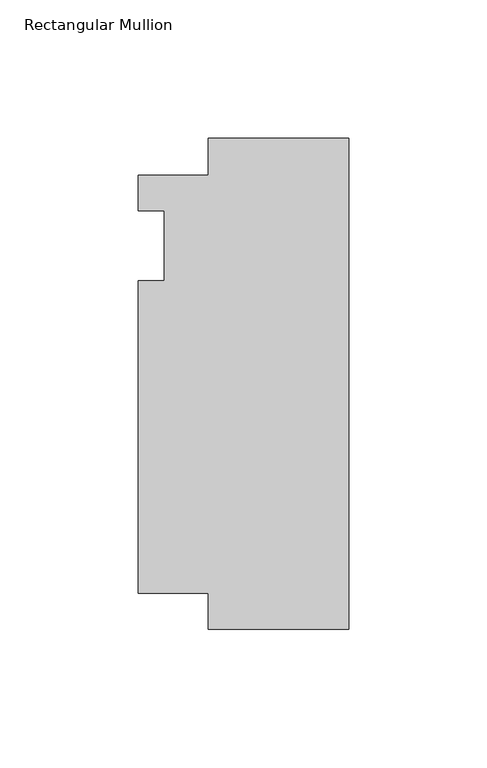
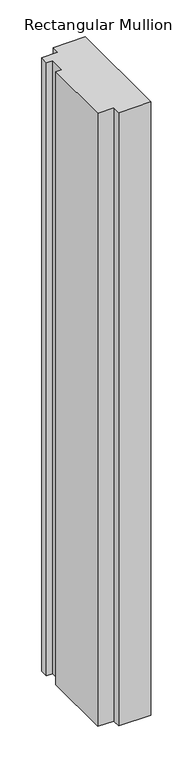
"""IFC4 building model written with IfcOpenShell, lengths in millimetres: member geometry, Rectangular Mullion."""

import ifcopenshell
import ifcopenshell.guid

model = None  # the IFC model being written
_history = None  # IfcOwnerHistory: only IFC2X3 demands one
_inside = {}  # id of a spatial element -> (the spatial element, [elements in it])
_under = {}  # id of a project, library or spatial element -> (it, [spatial elements below it])
_declared = {}  # id of a project -> (the project, [libraries it declares])
_typed = {}  # id of a type object -> (the type object, [elements of that type])
_made_of = {}  # id of a material, layer set ... -> (it, [elements and type objects made of it])


def new_model(schema):
    """Start an empty IFC model of exactly this schema.

    Asked for "IFC4X3", IfcOpenShell would pick the latest addendum, in which some entities
    have other attributes; the version numbers below select the first issue.
    IFC2X3 requires an IfcOwnerHistory on every rooted entity: one is made here for all.
    """
    global model, _history
    if schema == "IFC4X3":
        model = ifcopenshell.file(schema_version=(4, 3, 0, 0))
    else:
        model = ifcopenshell.file(schema=schema)
    _inside.clear()
    _under.clear()
    _declared.clear()
    _typed.clear()
    _made_of.clear()
    _history = None
    if model.schema == "IFC2X3":
        org = make("IfcOrganization", Name="unknown")
        user = make(
            "IfcPersonAndOrganization",
            ThePerson=make("IfcPerson", FamilyName="unknown"),
            TheOrganization=org,
        )
        app = make(
            "IfcApplication",
            ApplicationDeveloper=org,
            Version="unknown",
            ApplicationFullName="unknown",
            ApplicationIdentifier="unknown",
        )
        _history = make(
            "IfcOwnerHistory",
            OwningUser=user,
            OwningApplication=app,
            ChangeAction="ADDED",
            CreationDate=0,
        )
    return model


def make(cls, **values):
    """One entity of the class cls with the attributes given. An attribute that is None is left unset."""
    return model.create_entity(
        cls, **{name: value for name, value in values.items() if value is not None}
    )


def rooted(cls, **values):
    """An entity with a GlobalId (a new one), such as an element, a storey or a relation."""
    return make(cls, GlobalId=ifcopenshell.guid.new(), OwnerHistory=_history, **values)


def si_unit(unit_type, name, prefix=None):
    """IfcSIUnit, for example si_unit("LENGTHUNIT", "METRE", prefix="MILLI")."""
    return make("IfcSIUnit", UnitType=unit_type, Prefix=prefix, Name=name)


def assignment(units):
    """IfcUnitAssignment: the units of a project."""
    return None if units is None else make("IfcUnitAssignment", Units=units)


def point(xyz):
    """IfcCartesianPoint."""
    return None if xyz is None else make("IfcCartesianPoint", Coordinates=xyz)


def direction(xyz):
    """IfcDirection."""
    return None if xyz is None else make("IfcDirection", DirectionRatios=xyz)


def frame(location, z_axis=None, x_axis=None):
    """IfcAxis2Placement3D, a coordinate frame: its origin and axes. An axis left out is left unset."""
    return make(
        "IfcAxis2Placement3D",
        Location=point(location),
        Axis=direction(z_axis),
        RefDirection=direction(x_axis),
    )


def origin():
    """The frame at (0, 0, 0) with its axes left unset."""
    return frame((0.0, 0.0, 0.0))


def place(relative_to, where):
    """IfcLocalPlacement: puts the frame where relative to a parent placement (None: the world)."""
    return make(
        "IfcLocalPlacement", PlacementRelTo=relative_to, RelativePlacement=where
    )


def context(
    kind, dimensions, precision=None, world=None, true_north=None, identifier=None
):
    """IfcGeometricRepresentationContext, for example the 3D "Model" context."""
    return make(
        "IfcGeometricRepresentationContext",
        ContextIdentifier=identifier,
        ContextType=kind,
        CoordinateSpaceDimension=dimensions,
        Precision=precision,
        WorldCoordinateSystem=world,
        TrueNorth=true_north,
    )


def project(units=None, contexts=None):
    """IfcProject with its units and contexts."""
    return rooted(
        "IfcProject",
        Name="project",
        RepresentationContexts=contexts,
        UnitsInContext=assignment(units),
    )


def spatial(cls, under=None, at=None, **own):
    """A site, building, storey or space (cls), placed at a placement, below another one or the project."""
    s = rooted(cls, ObjectPlacement=at, **own)
    if under is not None:
        _under.setdefault(under.id(), (under, []))[1].append(s)
    return s


def polyline(points):
    """IfcPolyline through the points."""
    return make("IfcPolyline", Points=[point(p) for p in points])


def outline(outer, holes=None, kind="AREA"):
    """IfcArbitraryClosedProfileDef: a profile drawn as a closed curve; with holes, ...WithVoids."""
    if holes is None:
        return make("IfcArbitraryClosedProfileDef", ProfileType=kind, OuterCurve=outer)
    return make(
        "IfcArbitraryProfileDefWithVoids",
        ProfileType=kind,
        OuterCurve=outer,
        InnerCurves=holes,
    )


def extrude(swept, where, along, depth):
    """IfcExtrudedAreaSolid: the profile swept, set in the frame where, extruded along a direction by depth."""
    return make(
        "IfcExtrudedAreaSolid",
        SweptArea=swept,
        Position=where,
        ExtrudedDirection=direction(along),
        Depth=depth,
    )


def shape(context_of_items, identifier, shape_type, items):
    """IfcShapeRepresentation: the items that make up one representation, for example the "Body"."""
    return make(
        "IfcShapeRepresentation",
        ContextOfItems=context_of_items,
        RepresentationIdentifier=identifier,
        RepresentationType=shape_type,
        Items=items,
    )


def source(mapping_origin, context_of_items, identifier, shape_type, items):
    """IfcRepresentationMap: a shape defined once, which mapped items show again and again."""
    return make(
        "IfcRepresentationMap",
        MappingOrigin=mapping_origin,
        MappedRepresentation=shape(context_of_items, identifier, shape_type, items),
    )


def transform(
    local_origin,
    x_axis=None,
    y_axis=None,
    z_axis=None,
    scale=None,
    scale2=None,
    scale3=None,
    uniform=True,
):
    """IfcCartesianTransformationOperator3D, or its non-uniform kind. x_axis, y_axis, z_axis: its Axis1, 2, 3."""
    if uniform:
        return make(
            "IfcCartesianTransformationOperator3D",
            Axis1=direction(x_axis),
            Axis2=direction(y_axis),
            LocalOrigin=point(local_origin),
            Scale=scale,
            Axis3=direction(z_axis),
        )
    return make(
        "IfcCartesianTransformationOperator3DnonUniform",
        Axis1=direction(x_axis),
        Axis2=direction(y_axis),
        LocalOrigin=point(local_origin),
        Scale=scale,
        Axis3=direction(z_axis),
        Scale2=scale2,
        Scale3=scale3,
    )


def mapped(mapping_source, mapping_target):
    """IfcMappedItem: shows the shape of a source again, moved by a transform."""
    return make(
        "IfcMappedItem", MappingSource=mapping_source, MappingTarget=mapping_target
    )


def made_of(thing, what):
    """Note that an element or type object is made of a material, layer set ...; save() writes the relation."""
    if what is not None:
        _made_of.setdefault(what.id(), (what, []))[1].append(thing)
    return thing


def element(
    cls,
    number,
    at=None,
    inside=None,
    cuts=None,
    type_object=None,
    material=None,
    context=None,
    identifier="Body",
    shape_type=None,
    held_by="IfcProductDefinitionShape",
    body=None,
    shapes=None,
    **own,
):
    """One element of the class cls, such as IfcWall. Its Tag is "e" and its number.

    at: its placement. inside: the storey or other place that contains it. cuts: it is an
    opening in that element (IfcRelVoidsElement). A single representation is given by context,
    identifier, shape_type and body (its items); several are given by shapes. held_by: the class
    of the entity that holds the representations. save() writes the other relations.
    """
    e = rooted(cls, Tag="e%d" % number, ObjectPlacement=at, **own)
    if body is not None:
        shapes = [shape(context, identifier, shape_type, body)]
    if shapes is not None:
        e.Representation = make(held_by, Representations=shapes)
    if inside is not None:
        _inside.setdefault(inside.id(), (inside, []))[1].append(e)
    if cuts is not None:
        rooted(
            "IfcRelVoidsElement", RelatingBuildingElement=cuts, RelatedOpeningElement=e
        )
    if type_object is not None:
        _typed.setdefault(type_object.id(), (type_object, []))[1].append(e)
    return made_of(e, material)


def aggregate(whole, parts):
    """IfcRelAggregates: a whole, such as a stair, and the parts it consists of."""
    return rooted("IfcRelAggregates", RelatingObject=whole, RelatedObjects=parts)


def save(model, path):
    """Write the relations noted so far, then the file.

    IfcRelAggregates (storeys below a building ...), IfcRelContainedInSpatialStructure (elements
    in a storey), IfcRelDefinesByType, IfcRelAssociatesMaterial and IfcRelDeclares: one each for
    every whole, place, type object, material and project.
    """
    for whole, parts in _under.values():
        aggregate(whole, parts)
    for where, things in _inside.values():
        rooted(
            "IfcRelContainedInSpatialStructure",
            RelatedElements=things,
            RelatingStructure=where,
        )
    for kind, things in _typed.values():
        rooted("IfcRelDefinesByType", RelatedObjects=things, RelatingType=kind)
    for what, things in _made_of.values():
        rooted("IfcRelAssociatesMaterial", RelatedObjects=things, RelatingMaterial=what)
    for by, libraries in _declared.values():
        rooted("IfcRelDeclares", RelatingContext=by, RelatedDefinitions=libraries)
    model.write(path)


def rectangular_mullion_c33e7e77(model_context):
    return source(origin(), model_context, "Body", "SweptSolid", [
        extrude(outline(polyline([(-76.2, 25.4508252), (-50.8, 25.4508252), (-50.8, 38.8948823), (0.0, 38.8948823), (0.0, -138.90625), (-50.8, -138.90625), (-50.8, -125.8533), (-76.2, -125.8533), (-76.2, -12.7), (-66.675, -12.7), (-66.675, 12.7), (-76.2, 12.7), (-76.2, 25.4508252)])), frame((0.0, 0.0, -1016.0), z_axis=(0.0, 0.0, 1.0), x_axis=(1.0, 0.0, 0.0)), (0.0, 0.0, 1.0), 1016.0),
    ])


if __name__ == "__main__":
    model = new_model("IFC4")
    model_context = context("Model", 3, world=origin())
    ifc_project = project(units=[si_unit("LENGTHUNIT", "METRE", prefix="MILLI")], contexts=[model_context])
    site = spatial("IfcSite", under=ifc_project)
    building = spatial("IfcBuilding", under=site)
    placement = place(None, origin())
    rectangular_mullion_shape = rectangular_mullion_c33e7e77(model_context)
    element("IfcMember", 1, ObjectType="Rectangular Mullion", at=placement, inside=building, context=model_context, shape_type="MappedRepresentation", body=[
        mapped(rectangular_mullion_shape, transform((0.0, 0.0, 0.0), x_axis=(1.0, 0.0, 0.0), y_axis=(0.0, 1.0, 0.0), z_axis=(0.0, 0.0, 1.0))),
    ])
    save(model, "model.ifc")
